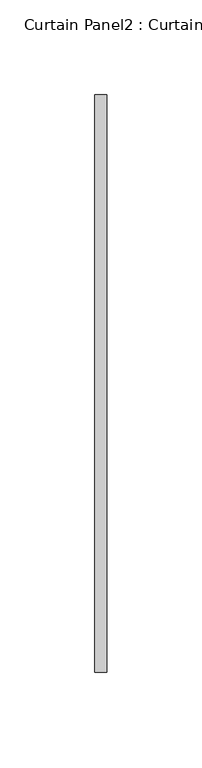
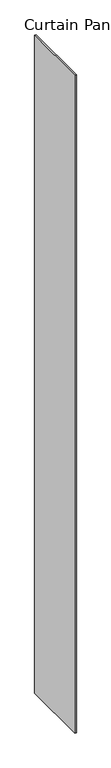
"""IFC4 building model written with IfcOpenShell, lengths in millimetres: plate geometry, Curtain Panel2 : Curtain Panel."""

from ifc_helpers import new_model, si_unit, origin, origin_with_axes, place, context, project, spatial, polyline, outline, extrude, source, transform, mapped, element, save


def curtain_panel2_curtain_panel_10ab0e5b(model_context):
    return source(origin(), model_context, "Body", "SweptSolid", [
        extrude(outline(polyline([(111461.4810674, 2030.7041784), (111461.4810674, 2335.5041784), (111467.8310674, 2335.5041784), (111467.8310674, 2030.7041784), (111461.4810674, 2030.7041784)])), origin_with_axes(), (0.0, 0.0, 1.0), 3048.0),
    ])


if __name__ == "__main__":
    model = new_model("IFC4")
    model_context = context("Model", 3, world=origin())
    ifc_project = project(units=[si_unit("LENGTHUNIT", "METRE", prefix="MILLI")], contexts=[model_context])
    site = spatial("IfcSite", under=ifc_project)
    building = spatial("IfcBuilding", under=site)
    placement = place(None, origin())
    curtain_panel2_curtain_panel_shape = curtain_panel2_curtain_panel_10ab0e5b(model_context)
    element("IfcPlate", 1, ObjectType="Curtain Panel2 : Curtain Panel", at=placement, inside=building, context=model_context, shape_type="MappedRepresentation", body=[
        mapped(curtain_panel2_curtain_panel_shape, transform((0.0, 0.0, 0.0), x_axis=(1.0, 0.0, 0.0), y_axis=(0.0, 1.0, 0.0), z_axis=(0.0, 0.0, 1.0))),
    ])
    save(model, "model.ifc")
